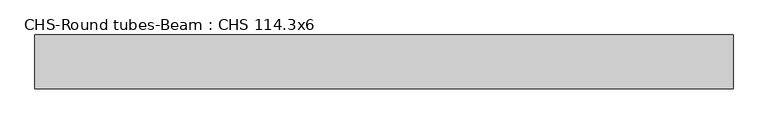
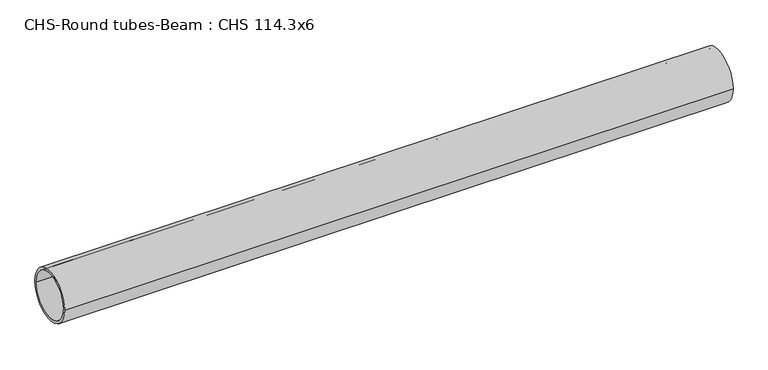
"""IFC4 building model written with IfcOpenShell, lengths in millimetres: beam geometry, CHS-Round tubes-Beam : CHS 114.3x6."""

from ifc_helpers import new_model, si_unit, point, frame, origin, origin_2d, place, context, project, spatial, circle_curve, trimmed, segment, composite_curve, outline, extrude, source, transform, mapped, element, save


def chs_round_tubes_beam_chs_114_3x6_62331675(model_context):
    return source(origin(), model_context, "Body", "SweptSolid", [
        extrude(outline(composite_curve([segment(trimmed(circle_curve(origin_2d(), 57.15), [point((57.15, 0.0))], [point((-57.15, 0.0))], False, "CARTESIAN"), True, "CONTINUOUS"), segment(trimmed(circle_curve(origin_2d(), 57.15), [point((-57.15, 0.0))], [point((57.15, 0.0))], False, "CARTESIAN"), True, "CONTINUOUS")], self_intersect=False), holes=[composite_curve([segment(trimmed(circle_curve(origin_2d(), 51.15), [point((51.15, 0.0))], [point((-51.15, 0.0))], True, "CARTESIAN"), True, "CONTINUOUS"), segment(trimmed(circle_curve(origin_2d(), 51.15), [point((-51.15, 0.0))], [point((51.15, 0.0))], True, "CARTESIAN"), True, "CONTINUOUS")], self_intersect=False)]), frame((-756.8290949, 0.0, 0.0), z_axis=(1.0, 0.0, 0.0), x_axis=(0.0, 1.0, 0.0)), (0.0, 0.0, 1.0), 1481.4630938),
    ])


if __name__ == "__main__":
    model = new_model("IFC4")
    model_context = context("Model", 3, world=origin())
    ifc_project = project(units=[si_unit("LENGTHUNIT", "METRE", prefix="MILLI")], contexts=[model_context])
    site = spatial("IfcSite", under=ifc_project)
    building = spatial("IfcBuilding", under=site)
    placement = place(None, origin())
    chs_round_tubes_beam_chs_114_3x6_shape = chs_round_tubes_beam_chs_114_3x6_62331675(model_context)
    element("IfcBeam", 1, ObjectType="CHS-Round tubes-Beam : CHS 114.3x6", at=placement, inside=building, context=model_context, shape_type="MappedRepresentation", body=[
        mapped(chs_round_tubes_beam_chs_114_3x6_shape, transform((0.0, 0.0, 0.0), x_axis=(1.0, 0.0, 0.0), y_axis=(0.0, 1.0, 0.0), z_axis=(0.0, 0.0, 1.0))),
    ])
    save(model, "model.ifc")
